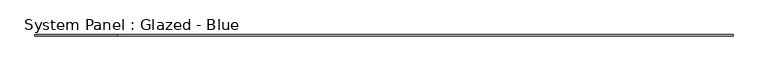
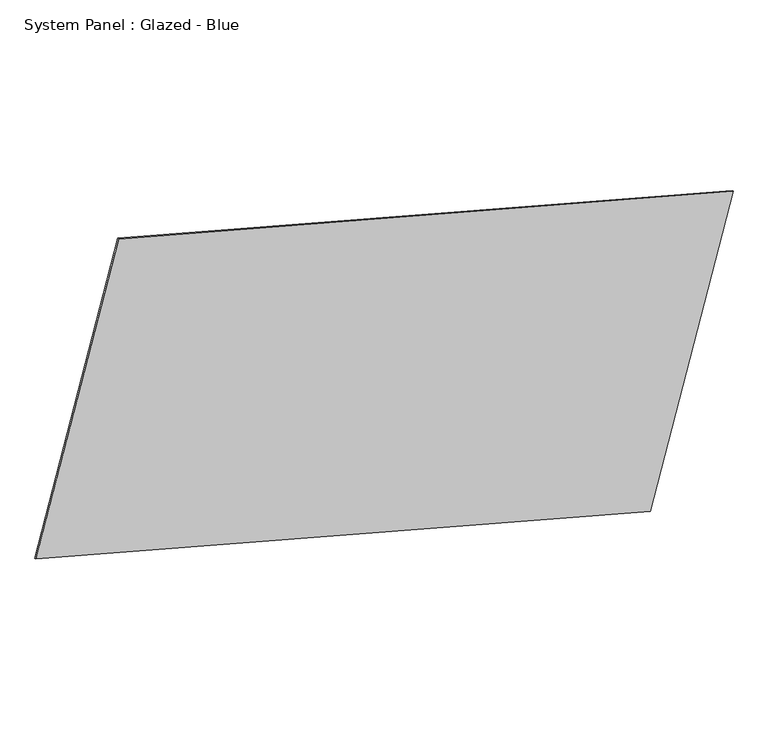
"""IFC4 building model written with IfcOpenShell, lengths in millimetres: plate geometry, System Panel : Glazed - Blue."""

from ifc_helpers import new_model, si_unit, frame, origin, place, context, project, spatial, polyline, outline, extrude, source, transform, mapped, element, save


def system_panel_glazed_blue_91ebfba0(model_context):
    return source(origin(), model_context, "Body", "SweptSolid", [
        extrude(outline(polyline([(0.0, -12103.978899), (0.0, 0.0), (25.4, 0.0), (25.4, -12103.978899), (0.0, -12103.978899)])), frame((-6634.6533592, 19.05, 3132.7402606), z_axis=(0.25881904510252046, 0.0, 0.9659258262890684), x_axis=(0.0, 1.0, 0.0)), (0.0, 0.0, 1.0), 6096.0),
    ])


if __name__ == "__main__":
    model = new_model("IFC4")
    model_context = context("Model", 3, world=origin())
    ifc_project = project(units=[si_unit("LENGTHUNIT", "METRE", prefix="MILLI")], contexts=[model_context])
    site = spatial("IfcSite", under=ifc_project)
    building = spatial("IfcBuilding", under=site)
    placement = place(None, origin())
    system_panel_glazed_blue_shape = system_panel_glazed_blue_91ebfba0(model_context)
    element("IfcPlate", 1, ObjectType="System Panel : Glazed - Blue", at=placement, inside=building, context=model_context, shape_type="MappedRepresentation", body=[
        mapped(system_panel_glazed_blue_shape, transform((0.0, 0.0, 0.0), x_axis=(1.0, 0.0, 0.0), y_axis=(0.0, 1.0, 0.0), z_axis=(0.0, 0.0, 1.0))),
    ])
    save(model, "model.ifc")
